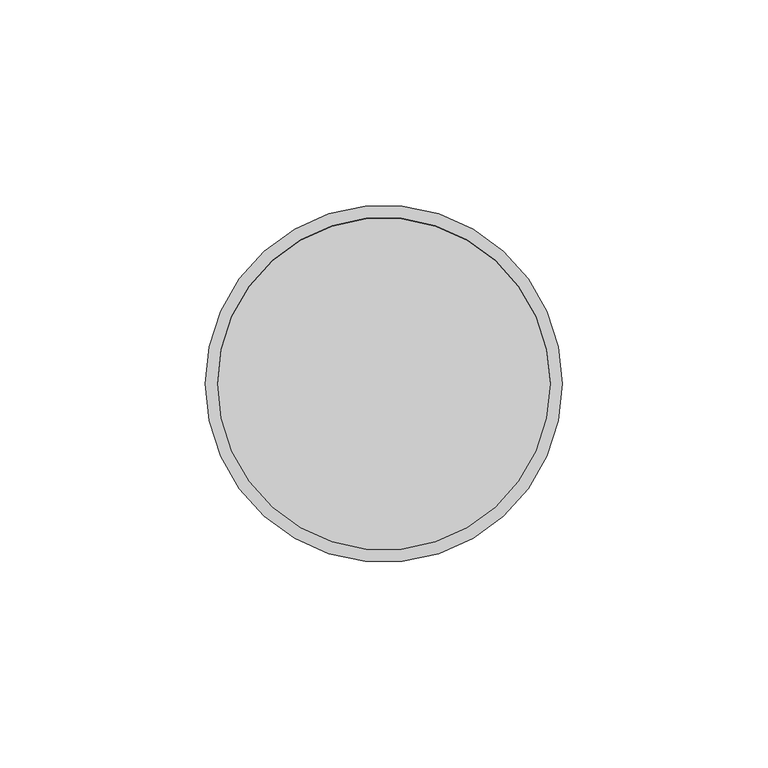
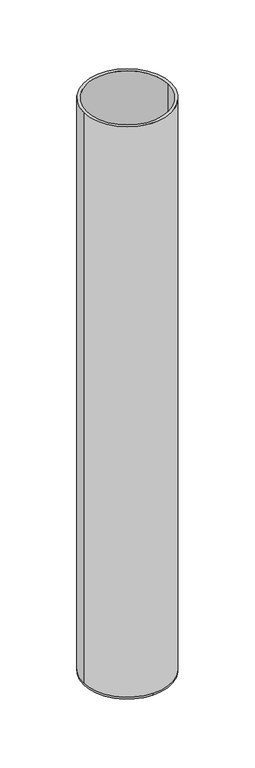
"""IFC4 building model written with IfcOpenShell, lengths in millimetres: beam geometry."""

from ifc_helpers import new_model, si_unit, frame, origin, place, context, project, spatial, polyline, circle_curve, source, transform, mapped, element, save
from ifc_brep_helpers import plane_surface, cylinder_surface, revolved_surface, advanced_brep


def beam_4d8be8ef(model_context):
    return source(origin(), model_context, "Body", "AdvancedBrep", [
        advanced_brep(
        [(43.5, 0.0, 0.0), (-43.5, 0.0, 0.0), (40.5, 0.0, 0.0), (-40.5, 0.0, 0.0), (40.5, 0.0, -598.0), (-40.5, 0.0, -598.0), (43.5, 0.0, -598.0), (0.0, 43.5, -598.0), (-43.5, 0.0, -598.0), (0.0, -43.5, -598.0), (0.0, 43.5, -600.0), (0.0, -43.5, -600.0)],
        [
            (0, 1, circle_curve(frame((0.0, 0.0, 0.0), z_axis=(0.0, 0.0, 1.0), x_axis=(-1.0, 0.0, 0.0)), 43.5)),
            (1, 0, circle_curve(frame((0.0, 0.0, 0.0), z_axis=(0.0, 0.0, 1.0), x_axis=(-1.0, 0.0, 0.0)), 43.5)),
            (2, 3, circle_curve(frame((0.0, 0.0, 0.0), z_axis=(0.0, 0.0, -1.0), x_axis=(-1.0, 0.0, 0.0)), 40.5)),
            (3, 2, circle_curve(frame((0.0, 0.0, 0.0), z_axis=(0.0, 0.0, -1.0), x_axis=(-1.0, 0.0, 0.0)), 40.5)),
            (2, 4),
            (4, 5, circle_curve(frame((0.0, 0.0, -598.0), z_axis=(0.0, 0.0, -1.0), x_axis=(-1.0, 0.0, 0.0)), 40.5)),
            (5, 3),
            (5, 4, circle_curve(frame((0.0, 0.0, -598.0), z_axis=(0.0, 0.0, -1.0), x_axis=(-1.0, 0.0, 0.0)), 40.5)),
            (0, 6),
            (6, 7, circle_curve(frame((0.0, 0.0, -598.0), z_axis=(0.0, 0.0, 1.0), x_axis=(-1.0, 0.0, 0.0)), 43.5)),
            (7, 8, circle_curve(frame((0.0, 0.0, -598.0), z_axis=(0.0, 0.0, 1.0), x_axis=(-1.0, 0.0, 0.0)), 43.5)),
            (8, 1),
            (8, 9, circle_curve(frame((0.0, 0.0, -598.0), z_axis=(0.0, 0.0, 1.0), x_axis=(-1.0, 0.0, 0.0)), 43.5)),
            (9, 6, circle_curve(frame((0.0, 0.0, -598.0), z_axis=(0.0, 0.0, 1.0), x_axis=(-1.0, 0.0, 0.0)), 43.5)),
            (10, 11, circle_curve(frame((0.0, 0.0, -600.0), z_axis=(0.0, 0.0, -1.0), x_axis=(0.0, -1.0, 0.0)), 43.5)),
            (11, 10, circle_curve(frame((0.0, 0.0, -600.0), z_axis=(0.0, 0.0, -1.0), x_axis=(0.0, -1.0, 0.0)), 43.5)),
            (11, 9),
            (7, 10),
        ],
        [
            plane_surface(frame((0.0, 0.0, 0.0), z_axis=(0.0, 0.0, 1.0), x_axis=(0.0, -1.0, 0.0))),
            revolved_surface(polyline([(-40.5, 0.0, 0.0), (-40.5, 0.0, -598.0)]), (0.0, 0.0, -598.0), (0.0, 0.0, 1.0)),
            cylinder_surface(frame((0.0, 0.0, -598.0), z_axis=(0.0, 0.0, -1.0), x_axis=(-1.0, 0.0, 0.0)), 43.5),
            plane_surface(frame((0.0, 0.0, -598.0), z_axis=(0.0, 0.0, 1.0), x_axis=(0.0, -1.0, 0.0))),
            plane_surface(frame((0.0, 0.0, -600.0), z_axis=(0.0, 0.0, -1.0), x_axis=(0.0, -1.0, 0.0))),
            cylinder_surface(frame((0.0, 0.0, -598.0), z_axis=(0.0, 0.0, 1.0), x_axis=(0.0, -1.0, 0.0)), 43.5),
        ],
        [
            (0, [[1, 2], [3, 4]]),
            (1, [[-3, 5, 6, 7]]),
            (1, [[-4, -7, 8, -5]]),
            (2, [[-1, 9, 10, 11, 12]]),
            (2, [[-2, -12, 13, 14, -9]]),
            (3, [[-6, -8]]),
            (4, [[15, 16]]),
            (5, [[-16, 17, -13, -11, 18]]),
            (5, [[-15, -18, -10, -14, -17]]),
        ],
    ),
    ])


if __name__ == "__main__":
    model = new_model("IFC4")
    model_context = context("Model", 3, world=origin())
    ifc_project = project(units=[si_unit("LENGTHUNIT", "METRE", prefix="MILLI")], contexts=[model_context])
    site = spatial("IfcSite", under=ifc_project)
    building = spatial("IfcBuilding", under=site)
    placement = place(None, origin())
    beam_shape = beam_4d8be8ef(model_context)
    element("IfcBeam", 1, at=placement, inside=building, context=model_context, shape_type="MappedRepresentation", body=[
        mapped(beam_shape, transform((0.0, 0.0, 0.0), x_axis=(1.0, 0.0, 0.0), y_axis=(0.0, 1.0, 0.0), z_axis=(0.0, 0.0, 1.0))),
    ])
    save(model, "model.ifc")
